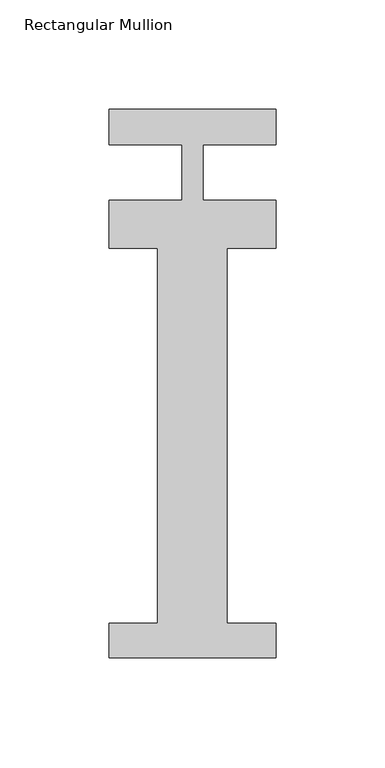
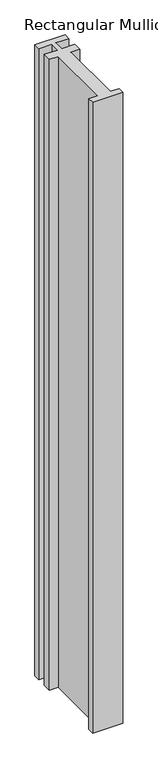
"""IFC4 building model written with IfcOpenShell, lengths in millimetres: member geometry, Rectangular Mullion."""

from ifc_helpers import new_model, si_unit, frame, origin, place, context, project, spatial, polyline, outline, extrude, source, transform, mapped, element, save


def rectangular_mullion_b382cad8(model_context):
    return source(origin(), model_context, "Body", "SweptSolid", [
        extrude(outline(polyline([(38.1, -221.996), (-38.1, -221.996), (-38.1, -206.121), (-15.875, -206.121), (-15.875, -34.671), (-38.1, -34.671), (-38.1, -12.7), (-4.7625, -12.7), (-4.7625, 12.7), (-38.1, 12.7), (-38.1, 28.830618), (38.1, 28.830618), (38.1, 12.7), (4.7625, 12.7), (4.7625, -12.7), (38.1, -12.7), (38.1, -34.671), (15.875, -34.671), (15.875, -206.121), (38.1, -206.121), (38.1, -221.996)])), frame((0.0, 0.0, -1676.4), z_axis=(0.0, 0.0, 1.0), x_axis=(1.0, 0.0, 0.0)), (0.0, 0.0, 1.0), 1676.4),
    ])


if __name__ == "__main__":
    model = new_model("IFC4")
    model_context = context("Model", 3, world=origin())
    ifc_project = project(units=[si_unit("LENGTHUNIT", "METRE", prefix="MILLI")], contexts=[model_context])
    site = spatial("IfcSite", under=ifc_project)
    building = spatial("IfcBuilding", under=site)
    placement = place(None, origin())
    rectangular_mullion_shape = rectangular_mullion_b382cad8(model_context)
    element("IfcMember", 1, ObjectType="Rectangular Mullion", at=placement, inside=building, context=model_context, shape_type="MappedRepresentation", body=[
        mapped(rectangular_mullion_shape, transform((0.0, 0.0, 0.0), x_axis=(1.0, 0.0, 0.0), y_axis=(0.0, 1.0, 0.0), z_axis=(0.0, 0.0, 1.0))),
    ])
    save(model, "model.ifc")
